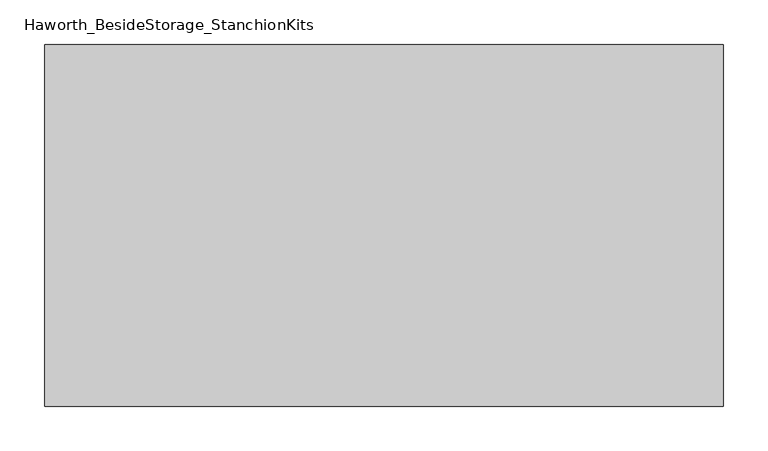
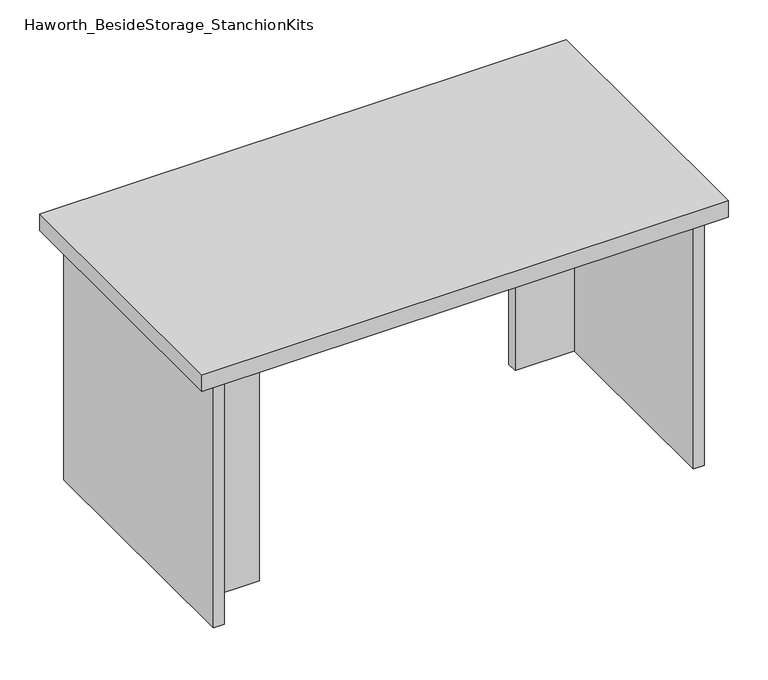
"""IFC4 building model written with IfcOpenShell, lengths in millimetres: furniture geometry, Haworth_BesideStorage_StanchionKits."""

from ifc_helpers import new_model, si_unit, frame, origin, place, context, project, spatial, polyline, outline, extrude, source, transform, mapped, element, save


def haworth_besidestorage_stanchionkits_ac6cd438(model_context):
    return source(origin(), model_context, "Body", "SweptSolid", [
        extrude(outline(polyline([(542.925, 0.0), (542.925, -406.4), (-219.075, -406.4), (-219.075, 0.0), (542.925, 0.0)])), frame((0.0, 0.0, 812.8), z_axis=(0.0, 0.0, 1.0), x_axis=(1.0, 0.0, 0.0)), (0.0, 0.0, 1.0), 25.4),
        extrude(outline(polyline([(415.925, -76.2), (501.65, -76.2), (501.65, -92.075), (415.925, -92.075), (415.925, -76.2)])), frame((0.0, 0.0, 431.8), z_axis=(0.0, 0.0, 1.0), x_axis=(1.0, 0.0, 0.0)), (0.0, 0.0, 1.0), 381.0),
        extrude(outline(polyline([(-92.075, -314.325), (-92.075, -330.2), (-177.8, -330.2), (-177.8, -314.325), (-92.075, -314.325)])), frame((0.0, 0.0, 431.8), z_axis=(0.0, 0.0, 1.0), x_axis=(1.0, 0.0, 0.0)), (0.0, 0.0, 1.0), 381.0),
        extrude(outline(polyline([(517.525, -390.525), (501.65, -390.525), (501.65, -15.875), (517.525, -15.875), (517.525, -390.525)])), frame((0.0, 0.0, 431.8), z_axis=(0.0, 0.0, 1.0), x_axis=(1.0, 0.0, 0.0)), (0.0, 0.0, 1.0), 381.0),
        extrude(outline(polyline([(-177.8, -390.525), (-193.675, -390.525), (-193.675, -15.875), (-177.8, -15.875), (-177.8, -390.525)])), frame((0.0, 0.0, 431.8), z_axis=(0.0, 0.0, 1.0), x_axis=(1.0, 0.0, 0.0)), (0.0, 0.0, 1.0), 381.0),
    ])


if __name__ == "__main__":
    model = new_model("IFC4")
    model_context = context("Model", 3, world=origin())
    ifc_project = project(units=[si_unit("LENGTHUNIT", "METRE", prefix="MILLI")], contexts=[model_context])
    site = spatial("IfcSite", under=ifc_project)
    building = spatial("IfcBuilding", under=site)
    placement = place(None, origin())
    haworth_besidestorage_stanchionkits_shape = haworth_besidestorage_stanchionkits_ac6cd438(model_context)
    element("IfcFurniture", 1, ObjectType="Haworth_BesideStorage_StanchionKits", at=placement, inside=building, context=model_context, shape_type="MappedRepresentation", body=[
        mapped(haworth_besidestorage_stanchionkits_shape, transform((0.0, 0.0, 0.0), x_axis=(1.0, 0.0, 0.0), y_axis=(0.0, 1.0, 0.0), z_axis=(0.0, 0.0, 1.0))),
    ])
    save(model, "model.ifc")
